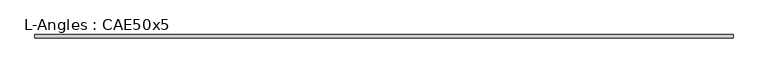
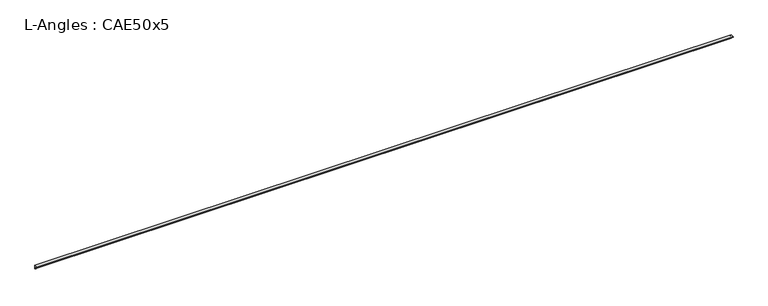
"""IFC4 building model written with IfcOpenShell, lengths in millimetres: beam geometry, L-Angles : CAE50x5."""

from ifc_helpers import new_model, si_unit, point, frame, frame_2d, origin, place, context, project, spatial, polyline, circle_curve, trimmed, segment, composite_curve, outline, extrude, source, transform, mapped, element, save


def l_angles_cae50x5_de3dfbaa(model_context):
    return source(origin(), model_context, "Body", "SweptSolid", [
        extrude(outline(composite_curve([segment(polyline([(14.0, 14.0), (14.0, -36.0)]), True, "CONTINUOUS"), segment(trimmed(circle_curve(frame_2d((14.0, -31.0)), 5.0), [point((14.0, -36.0))], [point((9.0, -31.0))], False, "CARTESIAN"), True, "CONTINUOUS"), segment(polyline([(9.0, -31.0), (9.0, 4.0)]), True, "CONTINUOUS"), segment(trimmed(circle_curve(frame_2d((4.0, 4.0)), 5.0), [point((9.0, 4.0))], [point((4.0, 9.0))], True, "CARTESIAN"), True, "CONTINUOUS"), segment(polyline([(4.0, 9.0), (-31.0, 9.0)]), True, "CONTINUOUS"), segment(trimmed(circle_curve(frame_2d((-31.0, 14.0)), 5.0), [point((-31.0, 9.0))], [point((-36.0, 14.0))], False, "CARTESIAN"), True, "CONTINUOUS"), segment(polyline([(-36.0, 14.0), (14.0, 14.0)]), True, "CONTINUOUS")], self_intersect=False)), frame((-4896.0, 0.0, 0.0), z_axis=(1.0, 0.0, 0.0), x_axis=(0.0, 1.0, 0.0)), (0.0, 0.0, 1.0), 9873.0),
    ])


if __name__ == "__main__":
    model = new_model("IFC4")
    model_context = context("Model", 3, world=origin())
    ifc_project = project(units=[si_unit("LENGTHUNIT", "METRE", prefix="MILLI")], contexts=[model_context])
    site = spatial("IfcSite", under=ifc_project)
    building = spatial("IfcBuilding", under=site)
    placement = place(None, origin())
    l_angles_cae50x5_shape = l_angles_cae50x5_de3dfbaa(model_context)
    element("IfcBeam", 1, ObjectType="L-Angles : CAE50x5", at=placement, inside=building, context=model_context, shape_type="MappedRepresentation", body=[
        mapped(l_angles_cae50x5_shape, transform((0.0, 0.0, 0.0), x_axis=(1.0, 0.0, 0.0), y_axis=(0.0, 1.0, 0.0), z_axis=(0.0, 0.0, 1.0))),
    ])
    save(model, "model.ifc")
